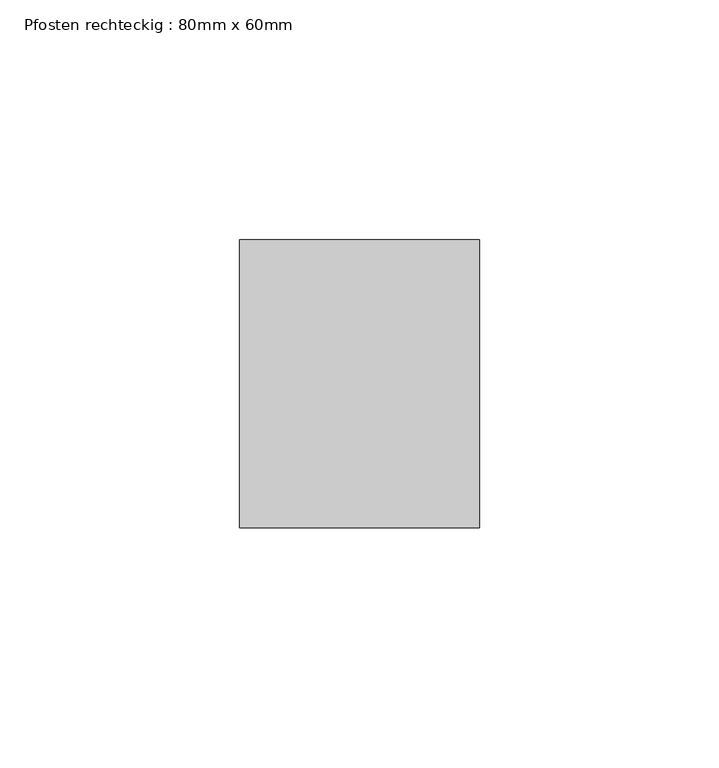
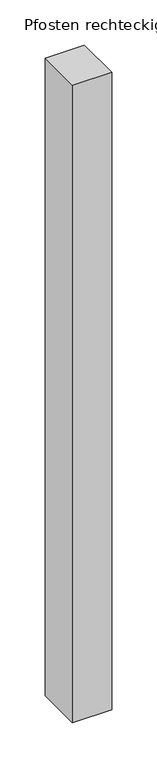
"""IFC4 building model written with IfcOpenShell, lengths in millimetres: member geometry, Pfosten rechteckig : 80mm x 60mm."""

from ifc_helpers import new_model, si_unit, frame, origin, place, context, project, spatial, polyline, outline, extrude, source, transform, mapped, element, save


def pfosten_rechteckig_80mm_x_60mm_f90128bf(model_context):
    return source(origin(), model_context, "Body", "SweptSolid", [
        extrude(outline(polyline([(0.0, 30.0), (0.0, -30.0), (-50.0, -30.0), (-50.0, 30.0), (0.0, 30.0)])), frame((0.0, 0.0, -860.0), z_axis=(0.0, 0.0, 1.0), x_axis=(1.0, 0.0, 0.0)), (0.0, 0.0, 1.0), 860.0),
    ])


if __name__ == "__main__":
    model = new_model("IFC4")
    model_context = context("Model", 3, world=origin())
    ifc_project = project(units=[si_unit("LENGTHUNIT", "METRE", prefix="MILLI")], contexts=[model_context])
    site = spatial("IfcSite", under=ifc_project)
    building = spatial("IfcBuilding", under=site)
    placement = place(None, origin())
    pfosten_rechteckig_80mm_x_60mm_shape = pfosten_rechteckig_80mm_x_60mm_f90128bf(model_context)
    element("IfcMember", 1, ObjectType="Pfosten rechteckig : 80mm x 60mm", at=placement, inside=building, context=model_context, shape_type="MappedRepresentation", body=[
        mapped(pfosten_rechteckig_80mm_x_60mm_shape, transform((0.0, 0.0, 0.0), x_axis=(1.0, 0.0, 0.0), y_axis=(0.0, 1.0, 0.0), z_axis=(0.0, 0.0, 1.0))),
    ])
    save(model, "model.ifc")
